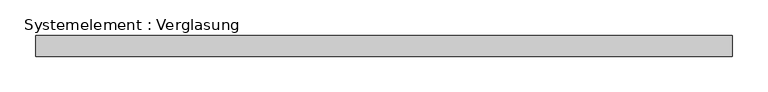
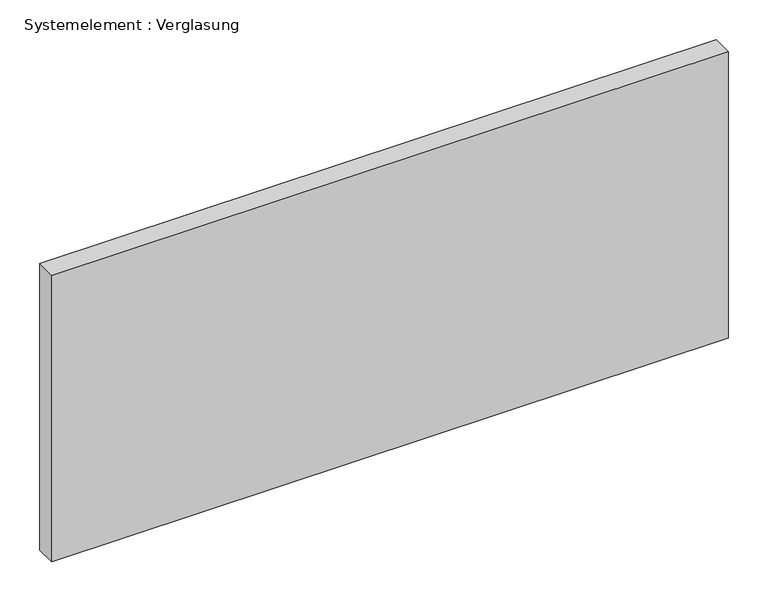
"""IFC4 building model written with IfcOpenShell, lengths in millimetres: plate geometry, Systemelement : Verglasung."""

from ifc_helpers import new_model, si_unit, origin, origin_with_axes, place, context, project, spatial, polyline, outline, extrude, source, transform, mapped, element, save


def systemelement_verglasung_3de98bbc(model_context):
    return source(origin(), model_context, "Body", "SweptSolid", [
        extrude(outline(polyline([(490.8337479, -15.0), (-490.8337479, -15.0), (-490.8337479, 15.0), (490.8337479, 15.0), (490.8337479, -15.0)])), origin_with_axes(), (0.0, 0.0, 1.0), 440.0),
    ])


if __name__ == "__main__":
    model = new_model("IFC4")
    model_context = context("Model", 3, world=origin())
    ifc_project = project(units=[si_unit("LENGTHUNIT", "METRE", prefix="MILLI")], contexts=[model_context])
    site = spatial("IfcSite", under=ifc_project)
    building = spatial("IfcBuilding", under=site)
    placement = place(None, origin())
    systemelement_verglasung_shape = systemelement_verglasung_3de98bbc(model_context)
    element("IfcPlate", 1, ObjectType="Systemelement : Verglasung", at=placement, inside=building, context=model_context, shape_type="MappedRepresentation", body=[
        mapped(systemelement_verglasung_shape, transform((0.0, 0.0, 0.0), x_axis=(1.0, 0.0, 0.0), y_axis=(0.0, 1.0, 0.0), z_axis=(0.0, 0.0, 1.0))),
    ])
    save(model, "model.ifc")
